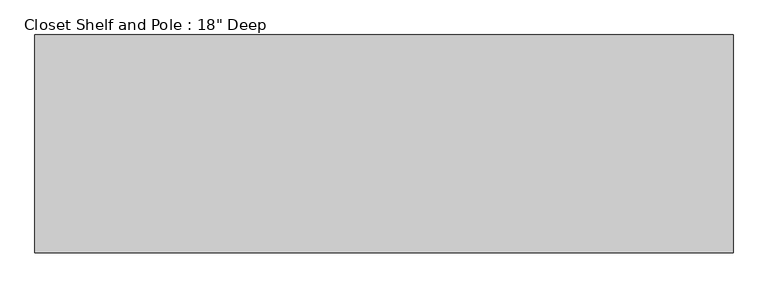
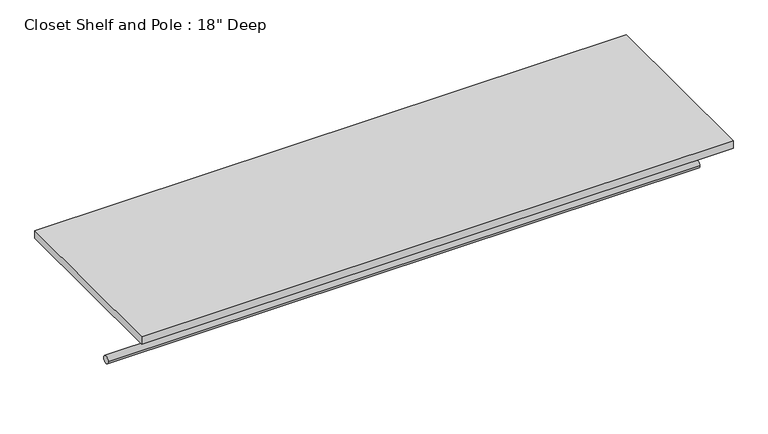
"""IFC4 building model written with IfcOpenShell, lengths in millimetres: proxy geometry."""

from ifc_helpers import new_model, si_unit, point, frame, frame_2d, origin, place, context, project, spatial, polyline, circle_curve, trimmed, segment, composite_curve, outline, extrude, source, transform, mapped, element, save


def proxy_3b3e74ee(model_context):
    return source(origin(), model_context, "Body", "SweptSolid", [
        extrude(outline(composite_curve([segment(trimmed(circle_curve(frame_2d((-304.8, 1676.4)), 9.525), [point((-314.325, 1676.4))], [point((-295.275, 1676.4))], False, "CARTESIAN"), True, "CONTINUOUS"), segment(trimmed(circle_curve(frame_2d((-304.8, 1676.4)), 9.525), [point((-295.275, 1676.4))], [point((-314.325, 1676.4))], False, "CARTESIAN"), True, "CONTINUOUS")], self_intersect=False)), frame((0.0, 0.0, 0.0), z_axis=(1.0, 0.0, 0.0), x_axis=(0.0, 1.0, 0.0)), (0.0, 0.0, 1.0), 1464.097317),
        extrude(outline(polyline([(1464.097317, 0.0), (1464.097317, -457.2), (0.0, -457.2), (0.0, 0.0), (1464.097317, 0.0)])), frame((0.0, 0.0, 1809.75), z_axis=(0.0, 0.0, 1.0), x_axis=(1.0, 0.0, 0.0)), (0.0, 0.0, 1.0), 19.05),
    ])


if __name__ == "__main__":
    model = new_model("IFC4")
    model_context = context("Model", 3, world=origin())
    ifc_project = project(units=[si_unit("LENGTHUNIT", "METRE", prefix="MILLI")], contexts=[model_context])
    site = spatial("IfcSite", under=ifc_project)
    building = spatial("IfcBuilding", under=site)
    placement = place(None, origin())
    proxy_shape = proxy_3b3e74ee(model_context)
    element("IfcBuildingElementProxy", 1, Name="Closet Shelf and Pole : 18\" Deep", ObjectType="Closet Shelf and Pole : 18\" Deep", at=placement, inside=building, context=model_context, shape_type="MappedRepresentation", body=[
        mapped(proxy_shape, transform((0.0, 0.0, 0.0), x_axis=(1.0, 0.0, 0.0), y_axis=(0.0, 1.0, 0.0), z_axis=(0.0, 0.0, 1.0))),
    ])
    save(model, "model.ifc")
